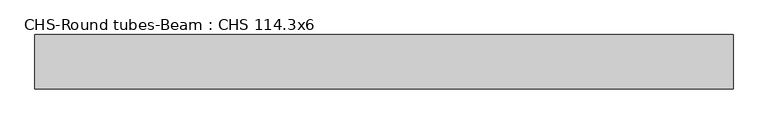
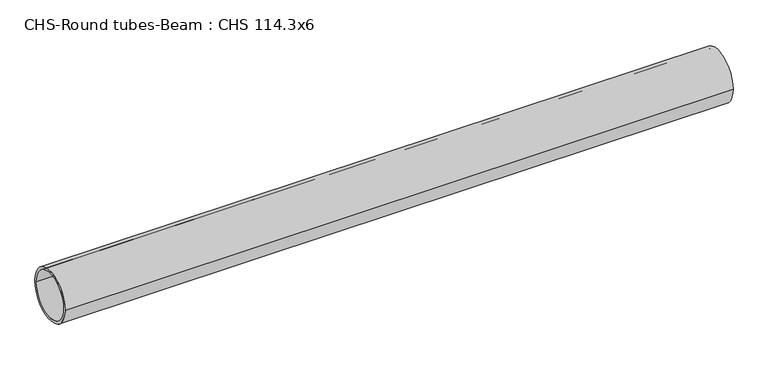
"""IFC4 building model written with IfcOpenShell, lengths in millimetres: beam geometry, CHS-Round tubes-Beam : CHS 114.3x6."""

from ifc_helpers import new_model, si_unit, point, frame, origin, origin_2d, place, context, project, spatial, circle_curve, trimmed, segment, composite_curve, outline, extrude, source, transform, mapped, element, save


def chs_round_tubes_beam_chs_114_3x6_1ebff463(model_context):
    return source(origin(), model_context, "Body", "SweptSolid", [
        extrude(outline(composite_curve([segment(trimmed(circle_curve(origin_2d(), 57.15), [point((57.15, 0.0))], [point((-57.15, 0.0))], False, "CARTESIAN"), True, "CONTINUOUS"), segment(trimmed(circle_curve(origin_2d(), 57.15), [point((-57.15, 0.0))], [point((57.15, 0.0))], False, "CARTESIAN"), True, "CONTINUOUS")], self_intersect=False), holes=[composite_curve([segment(trimmed(circle_curve(origin_2d(), 51.15), [point((51.15, 0.0))], [point((-51.15, 0.0))], True, "CARTESIAN"), True, "CONTINUOUS"), segment(trimmed(circle_curve(origin_2d(), 51.15), [point((-51.15, 0.0))], [point((51.15, 0.0))], True, "CARTESIAN"), True, "CONTINUOUS")], self_intersect=False)]), frame((-702.0914916, 0.0, 0.0), z_axis=(1.0, 0.0, 0.0), x_axis=(0.0, 1.0, 0.0)), (0.0, 0.0, 1.0), 1465.055635),
    ])


if __name__ == "__main__":
    model = new_model("IFC4")
    model_context = context("Model", 3, world=origin())
    ifc_project = project(units=[si_unit("LENGTHUNIT", "METRE", prefix="MILLI")], contexts=[model_context])
    site = spatial("IfcSite", under=ifc_project)
    building = spatial("IfcBuilding", under=site)
    placement = place(None, origin())
    chs_round_tubes_beam_chs_114_3x6_shape = chs_round_tubes_beam_chs_114_3x6_1ebff463(model_context)
    element("IfcBeam", 1, ObjectType="CHS-Round tubes-Beam : CHS 114.3x6", at=placement, inside=building, context=model_context, shape_type="MappedRepresentation", body=[
        mapped(chs_round_tubes_beam_chs_114_3x6_shape, transform((0.0, 0.0, 0.0), x_axis=(1.0, 0.0, 0.0), y_axis=(0.0, 1.0, 0.0), z_axis=(0.0, 0.0, 1.0))),
    ])
    save(model, "model.ifc")
